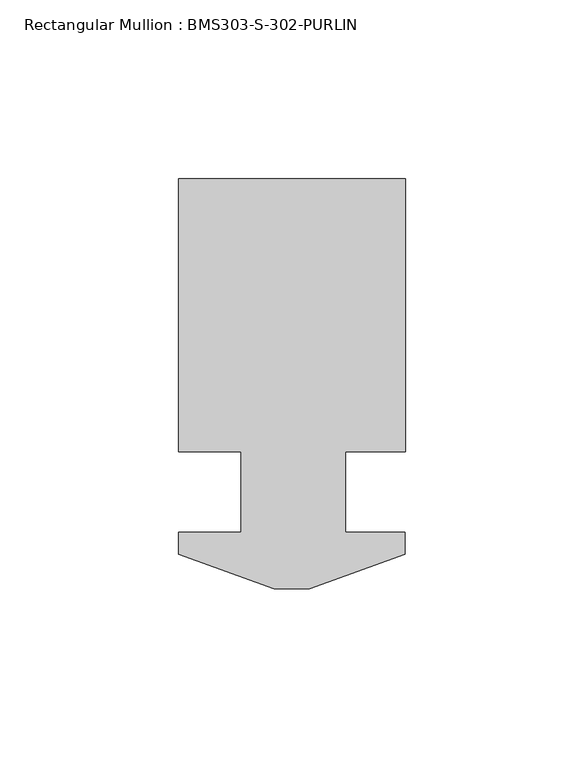
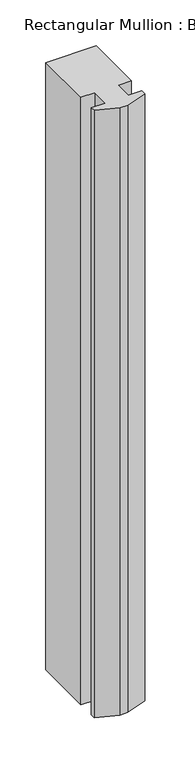
"""IFC4 building model written with IfcOpenShell, lengths in millimetres: member geometry, Rectangular Mullion : BMS303-S-302-PURLIN."""

from ifc_helpers import new_model, si_unit, frame, origin, place, context, project, spatial, polyline, outline, extrude, source, transform, mapped, element, save


def rectangular_mullion_bms303_s_302_purlin_50bb4db7(model_context):
    return source(origin(), model_context, "Body", "SweptSolid", [
        extrude(outline(polyline([(-31.75, 138.839575), (31.75, 138.839575), (31.75, 62.309375), (15.065769, 62.309375), (15.065769, 39.830375), (31.7249979, 39.830375), (31.7249979, 33.734375), (4.9272021, 23.980775), (-4.9772064, 23.980775), (-31.7750021, 33.734375), (-31.7750021, 39.830375), (-14.2875, 39.830375), (-14.2875, 62.309375), (-31.75, 62.309375), (-31.75, 138.839575)])), frame((0.0, 0.0, -808.036738), z_axis=(0.0, 0.0, 1.0), x_axis=(1.0, 0.0, 0.0)), (0.0, 0.0, 1.0), 808.036738),
    ])


if __name__ == "__main__":
    model = new_model("IFC4")
    model_context = context("Model", 3, world=origin())
    ifc_project = project(units=[si_unit("LENGTHUNIT", "METRE", prefix="MILLI")], contexts=[model_context])
    site = spatial("IfcSite", under=ifc_project)
    building = spatial("IfcBuilding", under=site)
    placement = place(None, origin())
    rectangular_mullion_bms303_s_302_purlin_shape = rectangular_mullion_bms303_s_302_purlin_50bb4db7(model_context)
    element("IfcMember", 1, ObjectType="Rectangular Mullion : BMS303-S-302-PURLIN", at=placement, inside=building, context=model_context, shape_type="MappedRepresentation", body=[
        mapped(rectangular_mullion_bms303_s_302_purlin_shape, transform((0.0, 0.0, 0.0), x_axis=(1.0, 0.0, 0.0), y_axis=(0.0, 1.0, 0.0), z_axis=(0.0, 0.0, 1.0))),
    ])
    save(model, "model.ifc")
